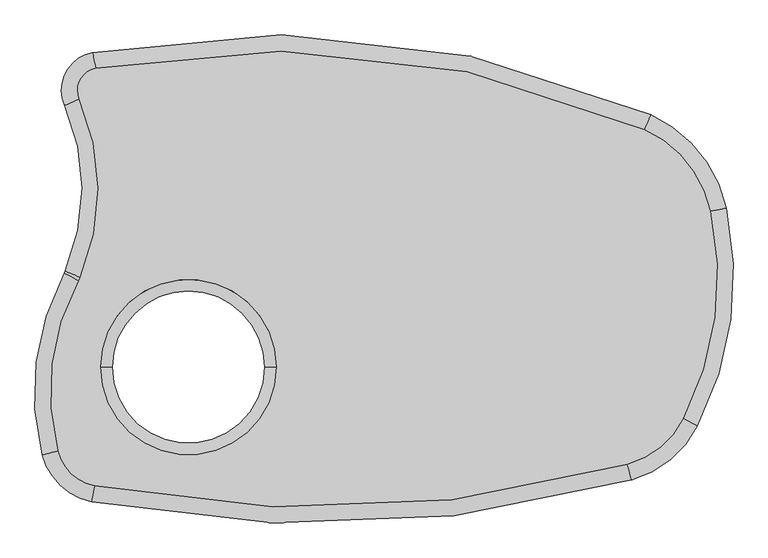
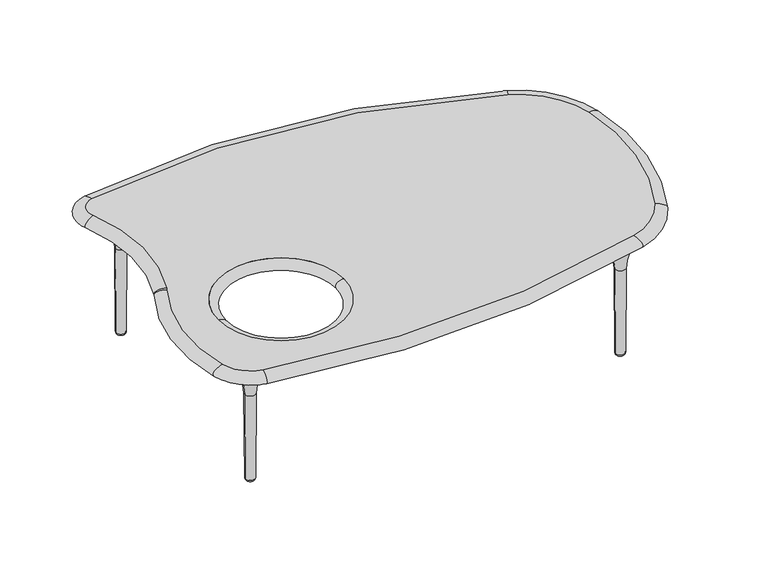
"""IFC4 building model written with IfcOpenShell, lengths in millimetres: furniture geometry."""

from ifc_helpers import new_model, si_unit, point, frame, origin, place, context, project, spatial, polyline, circle_curve, ellipse_curve, trimmed, source, transform, mapped, element, save
from ifc_brep_helpers import plane_surface, revolved_surface, advanced_brep


def furniture_aa1b946d(model_context):
    return source(origin(), model_context, "Body", "AdvancedBrep", [
        advanced_brep(
        [(409.3082921, 194.215623, 5.0603337), (390.8772352, 194.215623, 5.0603337), (400.0927636, 194.215623, 5.0603337), (405.9905141, 194.215623, 0.0), (394.1950132, 194.215623, 0.0), (400.0927636, 194.215623, 0.0)],
        [
            (0, 1, circle_curve(frame((400.0927636, 194.215623, 5.0603337), z_axis=(0.0, 0.0, 1.0), x_axis=(-1.0, 0.0, 0.0)), 9.2155285)),
            (1, 2),
            (2, 0),
            (1, 0, circle_curve(frame((400.0927636, 194.215623, 5.0603337), z_axis=(0.0, 0.0, 1.0), x_axis=(-1.0, 0.0, 0.0)), 9.2155285)),
            (3, 4, circle_curve(frame((400.0927636, 194.215623, 0.0), z_axis=(0.0, 0.0, 1.0), x_axis=(-1.0, 0.0, 0.0)), 5.8977505)),
            (4, 1, circle_curve(frame((394.6084635, 194.215623, 3.8888839), z_axis=(0.0, 1.0, 0.0), x_axis=(1.0, 0.0, 0.0)), 3.9108004)),
            (0, 3, circle_curve(frame((405.5770638, 194.215623, 3.8888839), z_axis=(0.0, 1.0, 0.0), x_axis=(-1.0, 0.0, 0.0)), 3.9108004)),
            (4, 3, circle_curve(frame((400.0927636, 194.215623, 0.0), z_axis=(0.0, 0.0, 1.0), x_axis=(-1.0, 0.0, 0.0)), 5.8977505)),
            (5, 4),
            (3, 5),
        ],
        [
            plane_surface(frame((400.0927636, 194.215623, 5.0603337), z_axis=(0.0, 0.0, 1.0), x_axis=(-1.0, 0.0, 0.0))),
            revolved_surface(trimmed(ellipse_curve(frame((394.6084635, 194.215623, 3.8888839), z_axis=(0.0, -1.0, 0.0), x_axis=(1.0, 0.0, 0.0)), 3.9108004, 3.9108004), [point((390.8772352, 194.215623, 5.0603337))], [point((394.1950132, 194.215623, 0.0))], True, "CARTESIAN"), (400.0927636, 194.215623, 5.0603337), (0.0, 0.0, -1.0)),
            plane_surface(frame((400.0927636, 194.215623, 0.0), z_axis=(0.0, 0.0, -1.0), x_axis=(-1.0, 0.0, 0.0))),
        ],
        [
            (0, [[1, 2, 3]]),
            (0, [[4, -3, -2]]),
            (1, [[5, 6, -1, 7]]),
            (1, [[8, -7, -4, -6]]),
            (2, [[9, -5, 10]]),
            (2, [[-10, -8, -9]]),
        ],
    ),
        advanced_brep(
        [(410.1981211, 194.2300927, 5.0603337), (389.9874062, 194.2300927, 5.0603337), (388.9087079, 194.2300927, 191.5216188), (411.2768194, 194.2300927, 191.5216188), (400.0927636, 194.2300927, 5.0603337), (439.6713763, 194.2300927, 260.474673), (360.514151, 194.2300927, 260.474673), (400.0927636, 194.2300927, 260.474673)],
        [
            (0, 1, circle_curve(frame((400.0927636, 194.2300927, 5.0603337), z_axis=(0.0, 0.0, 1.0), x_axis=(-1.0, 0.0, 0.0)), 10.1053574)),
            (1, 2),
            (2, 3, circle_curve(frame((400.0927636, 194.2300927, 191.5216188), z_axis=(0.0, 0.0, -1.0), x_axis=(-1.0, 0.0, 0.0)), 11.1840557)),
            (3, 0),
            (1, 0, circle_curve(frame((400.0927636, 194.2300927, 5.0603337), z_axis=(0.0, 0.0, 1.0), x_axis=(-1.0, 0.0, 0.0)), 10.1053574)),
            (3, 2, circle_curve(frame((400.0927636, 194.2300927, 191.5216188), z_axis=(0.0, 0.0, -1.0), x_axis=(-1.0, 0.0, 0.0)), 11.1840557)),
            (4, 1),
            (0, 4),
            (5, 6, circle_curve(frame((400.0927636, 194.2300927, 260.474673), z_axis=(0.0, 0.0, 1.0), x_axis=(-1.0, 0.0, 0.0)), 39.5786127)),
            (6, 7),
            (7, 5),
            (6, 5, circle_curve(frame((400.0927636, 194.2300927, 260.474673), z_axis=(0.0, 0.0, 1.0), x_axis=(-1.0, 0.0, 0.0)), 39.5786127)),
            (2, 6, circle_curve(frame((289.5937553, 194.2300927, 190.9470713), z_axis=(0.0, -1.0, 0.0), x_axis=(1.0, 0.0, 0.0)), 99.3166146)),
            (5, 3, circle_curve(frame((510.591772, 194.2300927, 190.9470713), z_axis=(0.0, -1.0, 0.0), x_axis=(-1.0, 0.0, 0.0)), 99.3166146)),
        ],
        [
            revolved_surface(polyline([(388.9087079, 194.2300927, 191.5216188), (389.9874062, 194.2300927, 5.0603337)]), (400.0927636, 194.2300927, 8.5531193), (0.0, 0.0, -1.0)),
            plane_surface(frame((400.0927636, 194.2300927, 5.0603337), z_axis=(0.0, 0.0, -1.0), x_axis=(-1.0, 0.0, 0.0))),
            plane_surface(frame((400.0927636, 194.2300927, 260.474673), z_axis=(0.0, 0.0, 1.0), x_axis=(-1.0, 0.0, 0.0))),
            revolved_surface(trimmed(ellipse_curve(frame((289.5937553, 194.2300927, 190.9470713), z_axis=(0.0, 1.0, 0.0), x_axis=(1.0, 0.0, 0.0)), 99.3166146, 99.3166146), [point((360.514151, 194.2300927, 260.474673))], [point((388.9087079, 194.2300927, 191.5216188))], True, "CARTESIAN"), (400.0927636, 194.2300927, 8.5531193), (0.0, 0.0, -1.0)),
        ],
        [
            (0, [[1, 2, 3, 4]]),
            (0, [[5, -4, 6, -2]]),
            (1, [[7, -1, 8]]),
            (1, [[-8, -5, -7]]),
            (2, [[9, 10, 11]]),
            (2, [[12, -11, -10]]),
            (3, [[-3, 13, -9, 14]]),
            (3, [[-6, -14, -12, -13]]),
        ],
    ),
        advanced_brep(
        [(386.0786054, -232.0878072, 5.0603337), (367.6475484, -232.0878072, 5.0603337), (376.8630769, -232.0878072, 5.0603337), (382.7608274, -232.0878072, 0.0), (370.9653264, -232.0878072, 0.0), (376.8630769, -232.0878072, 0.0)],
        [
            (0, 1, circle_curve(frame((376.8630769, -232.0878072, 5.0603337), z_axis=(0.0, 0.0, 1.0), x_axis=(-1.0, 0.0, 0.0)), 9.2155285)),
            (1, 2),
            (2, 0),
            (1, 0, circle_curve(frame((376.8630769, -232.0878072, 5.0603337), z_axis=(0.0, 0.0, 1.0), x_axis=(-1.0, 0.0, 0.0)), 9.2155285)),
            (3, 4, circle_curve(frame((376.8630769, -232.0878072, 0.0), z_axis=(0.0, 0.0, 1.0), x_axis=(-1.0, 0.0, 0.0)), 5.8977505)),
            (4, 1, circle_curve(frame((371.3787768, -232.0878072, 3.8888839), z_axis=(0.0, 1.0, 0.0), x_axis=(1.0, 0.0, 0.0)), 3.9108004)),
            (0, 3, circle_curve(frame((382.347377, -232.0878072, 3.8888839), z_axis=(0.0, 1.0, 0.0), x_axis=(-1.0, 0.0, 0.0)), 3.9108004)),
            (4, 3, circle_curve(frame((376.8630769, -232.0878072, 0.0), z_axis=(0.0, 0.0, 1.0), x_axis=(-1.0, 0.0, 0.0)), 5.8977505)),
            (5, 4),
            (3, 5),
        ],
        [
            plane_surface(frame((376.8630769, -232.0878072, 5.0603337), z_axis=(0.0, 0.0, 1.0), x_axis=(-1.0, 0.0, 0.0))),
            revolved_surface(trimmed(ellipse_curve(frame((371.3787768, -232.0878072, 3.8888839), z_axis=(0.0, -1.0, 0.0), x_axis=(1.0, 0.0, 0.0)), 3.9108004, 3.9108004), [point((367.6475484, -232.0878072, 5.0603337))], [point((370.9653264, -232.0878072, 0.0))], True, "CARTESIAN"), (376.8630769, -232.0878072, 5.0603337), (0.0, 0.0, -1.0)),
            plane_surface(frame((376.8630769, -232.0878072, 0.0), z_axis=(0.0, 0.0, -1.0), x_axis=(-1.0, 0.0, 0.0))),
        ],
        [
            (0, [[1, 2, 3]]),
            (0, [[4, -3, -2]]),
            (1, [[5, 6, -1, 7]]),
            (1, [[8, -7, -4, -6]]),
            (2, [[9, -5, 10]]),
            (2, [[-10, -8, -9]]),
        ],
    ),
        advanced_brep(
        [(386.9684343, -232.0733376, 5.0603337), (366.7577195, -232.0733376, 5.0603337), (365.6790212, -232.0733376, 191.5216188), (388.0471326, -232.0733376, 191.5216188), (376.8630769, -232.0733376, 5.0603337), (416.4416896, -232.0733376, 260.474673), (337.2844642, -232.0733376, 260.474673), (376.8630769, -232.0733376, 260.474673)],
        [
            (0, 1, circle_curve(frame((376.8630769, -232.0733376, 5.0603337), z_axis=(0.0, 0.0, 1.0), x_axis=(-1.0, 0.0, 0.0)), 10.1053574)),
            (1, 2),
            (2, 3, circle_curve(frame((376.8630769, -232.0733376, 191.5216188), z_axis=(0.0, 0.0, -1.0), x_axis=(-1.0, 0.0, 0.0)), 11.1840557)),
            (3, 0),
            (1, 0, circle_curve(frame((376.8630769, -232.0733376, 5.0603337), z_axis=(0.0, 0.0, 1.0), x_axis=(-1.0, 0.0, 0.0)), 10.1053574)),
            (3, 2, circle_curve(frame((376.8630769, -232.0733376, 191.5216188), z_axis=(0.0, 0.0, -1.0), x_axis=(-1.0, 0.0, 0.0)), 11.1840557)),
            (4, 1),
            (0, 4),
            (5, 6, circle_curve(frame((376.8630769, -232.0733376, 260.474673), z_axis=(0.0, 0.0, 1.0), x_axis=(-1.0, 0.0, 0.0)), 39.5786127)),
            (6, 7),
            (7, 5),
            (6, 5, circle_curve(frame((376.8630769, -232.0733376, 260.474673), z_axis=(0.0, 0.0, 1.0), x_axis=(-1.0, 0.0, 0.0)), 39.5786127)),
            (2, 6, circle_curve(frame((266.3640685, -232.0733376, 190.9470713), z_axis=(0.0, -1.0, 0.0), x_axis=(1.0, 0.0, 0.0)), 99.3166146)),
            (5, 3, circle_curve(frame((487.3620853, -232.0733376, 190.9470713), z_axis=(0.0, -1.0, 0.0), x_axis=(-1.0, 0.0, 0.0)), 99.3166146)),
        ],
        [
            revolved_surface(polyline([(365.6790212, -232.0733376, 191.5216188), (366.7577195, -232.0733376, 5.0603337)]), (376.8630769, -232.0733376, 8.5531193), (0.0, 0.0, -1.0)),
            plane_surface(frame((376.8630769, -232.0733376, 5.0603337), z_axis=(0.0, 0.0, -1.0), x_axis=(-1.0, 0.0, 0.0))),
            plane_surface(frame((376.8630769, -232.0733376, 260.474673), z_axis=(0.0, 0.0, 1.0), x_axis=(-1.0, 0.0, 0.0))),
            revolved_surface(trimmed(ellipse_curve(frame((266.3640685, -232.0733376, 190.9470713), z_axis=(0.0, 1.0, 0.0), x_axis=(1.0, 0.0, 0.0)), 99.3166146, 99.3166146), [point((337.2844642, -232.0733376, 260.474673))], [point((365.6790212, -232.0733376, 191.5216188))], True, "CARTESIAN"), (376.8630769, -232.0733376, 8.5531193), (0.0, 0.0, -1.0)),
        ],
        [
            (0, [[1, 2, 3, 4]]),
            (0, [[5, -4, 6, -2]]),
            (1, [[7, -1, 8]]),
            (1, [[-8, -5, -7]]),
            (2, [[9, 10, 11]]),
            (2, [[12, -11, -10]]),
            (3, [[-3, 13, -9, 14]]),
            (3, [[-6, -14, -12, -13]]),
        ],
    ),
        advanced_brep(
        [(-393.1942138, -239.8380791, 5.0603337), (-411.6252708, -239.8380791, 5.0603337), (-402.4097423, -239.8380791, 5.0603337), (-396.5119918, -239.8380791, 0.0), (-408.3074928, -239.8380791, 0.0), (-402.4097423, -239.8380791, 0.0)],
        [
            (0, 1, circle_curve(frame((-402.4097423, -239.8380791, 5.0603337), z_axis=(0.0, 0.0, 1.0), x_axis=(-1.0, 0.0, 0.0)), 9.2155285)),
            (1, 2),
            (2, 0),
            (1, 0, circle_curve(frame((-402.4097423, -239.8380791, 5.0603337), z_axis=(0.0, 0.0, 1.0), x_axis=(-1.0, 0.0, 0.0)), 9.2155285)),
            (3, 4, circle_curve(frame((-402.4097423, -239.8380791, 0.0), z_axis=(0.0, 0.0, 1.0), x_axis=(-1.0, 0.0, 0.0)), 5.8977505)),
            (4, 1, circle_curve(frame((-407.8940424, -239.8380791, 3.8888839), z_axis=(0.0, 1.0, 0.0), x_axis=(1.0, 0.0, 0.0)), 3.9108004)),
            (0, 3, circle_curve(frame((-396.9254422, -239.8380791, 3.8888839), z_axis=(0.0, 1.0, 0.0), x_axis=(-1.0, 0.0, 0.0)), 3.9108004)),
            (4, 3, circle_curve(frame((-402.4097423, -239.8380791, 0.0), z_axis=(0.0, 0.0, 1.0), x_axis=(-1.0, 0.0, 0.0)), 5.8977505)),
            (5, 4),
            (3, 5),
        ],
        [
            plane_surface(frame((-402.4097423, -239.8380791, 5.0603337), z_axis=(0.0, 0.0, 1.0), x_axis=(-1.0, 0.0, 0.0))),
            revolved_surface(trimmed(ellipse_curve(frame((-407.8940424, -239.8380791, 3.8888839), z_axis=(0.0, -1.0, 0.0), x_axis=(1.0, 0.0, 0.0)), 3.9108004, 3.9108004), [point((-411.6252708, -239.8380791, 5.0603337))], [point((-408.3074928, -239.8380791, 0.0))], True, "CARTESIAN"), (-402.4097423, -239.8380791, 5.0603337), (0.0, 0.0, -1.0)),
            plane_surface(frame((-402.4097423, -239.8380791, 0.0), z_axis=(0.0, 0.0, -1.0), x_axis=(-1.0, 0.0, 0.0))),
        ],
        [
            (0, [[1, 2, 3]]),
            (0, [[4, -3, -2]]),
            (1, [[5, 6, -1, 7]]),
            (1, [[8, -7, -4, -6]]),
            (2, [[9, -5, 10]]),
            (2, [[-10, -8, -9]]),
        ],
    ),
        advanced_brep(
        [(-392.3043849, -239.8236094, 5.0603337), (-412.5150997, -239.8236094, 5.0603337), (-413.593798, -239.8236094, 191.5216188), (-391.2256866, -239.8236094, 191.5216188), (-402.4097423, -239.8236094, 5.0603337), (-362.8311297, -239.8236094, 260.474673), (-441.988355, -239.8236094, 260.474673), (-402.4097423, -239.8236094, 260.474673)],
        [
            (0, 1, circle_curve(frame((-402.4097423, -239.8236094, 5.0603337), z_axis=(0.0, 0.0, 1.0), x_axis=(-1.0, 0.0, 0.0)), 10.1053574)),
            (1, 2),
            (2, 3, circle_curve(frame((-402.4097423, -239.8236094, 191.5216188), z_axis=(0.0, 0.0, -1.0), x_axis=(-1.0, 0.0, 0.0)), 11.1840557)),
            (3, 0),
            (1, 0, circle_curve(frame((-402.4097423, -239.8236094, 5.0603337), z_axis=(0.0, 0.0, 1.0), x_axis=(-1.0, 0.0, 0.0)), 10.1053574)),
            (3, 2, circle_curve(frame((-402.4097423, -239.8236094, 191.5216188), z_axis=(0.0, 0.0, -1.0), x_axis=(-1.0, 0.0, 0.0)), 11.1840557)),
            (4, 1),
            (0, 4),
            (5, 6, circle_curve(frame((-402.4097423, -239.8236094, 260.474673), z_axis=(0.0, 0.0, 1.0), x_axis=(-1.0, 0.0, 0.0)), 39.5786127)),
            (6, 7),
            (7, 5),
            (6, 5, circle_curve(frame((-402.4097423, -239.8236094, 260.474673), z_axis=(0.0, 0.0, 1.0), x_axis=(-1.0, 0.0, 0.0)), 39.5786127)),
            (2, 6, circle_curve(frame((-512.9087507, -239.8236094, 190.9470713), z_axis=(0.0, -1.0, 0.0), x_axis=(1.0, 0.0, 0.0)), 99.3166146)),
            (5, 3, circle_curve(frame((-291.910734, -239.8236094, 190.9470713), z_axis=(0.0, -1.0, 0.0), x_axis=(-1.0, 0.0, 0.0)), 99.3166146)),
        ],
        [
            revolved_surface(polyline([(-413.593798, -239.8236094, 191.5216188), (-412.5150997, -239.8236094, 5.0603337)]), (-402.4097423, -239.8236094, 8.5531193), (0.0, 0.0, -1.0)),
            plane_surface(frame((-402.4097423, -239.8236094, 5.0603337), z_axis=(0.0, 0.0, -1.0), x_axis=(-1.0, 0.0, 0.0))),
            plane_surface(frame((-402.4097423, -239.8236094, 260.474673), z_axis=(0.0, 0.0, 1.0), x_axis=(-1.0, 0.0, 0.0))),
            revolved_surface(trimmed(ellipse_curve(frame((-512.9087507, -239.8236094, 190.9470713), z_axis=(0.0, 1.0, 0.0), x_axis=(1.0, 0.0, 0.0)), 99.3166146, 99.3166146), [point((-441.988355, -239.8236094, 260.474673))], [point((-413.593798, -239.8236094, 191.5216188))], True, "CARTESIAN"), (-402.4097423, -239.8236094, 8.5531193), (0.0, 0.0, -1.0)),
        ],
        [
            (0, [[1, 2, 3, 4]]),
            (0, [[5, -4, 6, -2]]),
            (1, [[7, -1, 8]]),
            (1, [[-8, -5, -7]]),
            (2, [[9, 10, 11]]),
            (2, [[12, -11, -10]]),
            (3, [[-3, 13, -9, 14]]),
            (3, [[-6, -14, -12, -13]]),
        ],
    ),
        advanced_brep(
        [(-365.2445457, 277.3729515, 5.0603337), (-383.6756027, 277.3729515, 5.0603337), (-374.4600742, 277.3729515, 5.0603337), (-368.5623237, 277.3729515, 0.0), (-380.3578246, 277.3729515, 0.0), (-374.4600742, 277.3729515, 0.0)],
        [
            (0, 1, circle_curve(frame((-374.4600742, 277.3729515, 5.0603337), z_axis=(0.0, 0.0, 1.0), x_axis=(-1.0, 0.0, 0.0)), 9.2155285)),
            (1, 2),
            (2, 0),
            (1, 0, circle_curve(frame((-374.4600742, 277.3729515, 5.0603337), z_axis=(0.0, 0.0, 1.0), x_axis=(-1.0, 0.0, 0.0)), 9.2155285)),
            (3, 4, circle_curve(frame((-374.4600742, 277.3729515, 0.0), z_axis=(0.0, 0.0, 1.0), x_axis=(-1.0, 0.0, 0.0)), 5.8977505)),
            (4, 1, circle_curve(frame((-379.9443743, 277.3729515, 3.8888839), z_axis=(0.0, 1.0, 0.0), x_axis=(1.0, 0.0, 0.0)), 3.9108004)),
            (0, 3, circle_curve(frame((-368.975774, 277.3729515, 3.8888839), z_axis=(0.0, 1.0, 0.0), x_axis=(-1.0, 0.0, 0.0)), 3.9108004)),
            (4, 3, circle_curve(frame((-374.4600742, 277.3729515, 0.0), z_axis=(0.0, 0.0, 1.0), x_axis=(-1.0, 0.0, 0.0)), 5.8977505)),
            (5, 4),
            (3, 5),
        ],
        [
            plane_surface(frame((-374.4600742, 277.3729515, 5.0603337), z_axis=(0.0, 0.0, 1.0), x_axis=(-1.0, 0.0, 0.0))),
            revolved_surface(trimmed(ellipse_curve(frame((-379.9443743, 277.3729515, 3.8888839), z_axis=(0.0, -1.0, 0.0), x_axis=(1.0, 0.0, 0.0)), 3.9108004, 3.9108004), [point((-383.6756027, 277.3729515, 5.0603337))], [point((-380.3578246, 277.3729515, 0.0))], True, "CARTESIAN"), (-374.4600742, 277.3729515, 5.0603337), (0.0, 0.0, -1.0)),
            plane_surface(frame((-374.4600742, 277.3729515, 0.0), z_axis=(0.0, 0.0, -1.0), x_axis=(-1.0, 0.0, 0.0))),
        ],
        [
            (0, [[1, 2, 3]]),
            (0, [[4, -3, -2]]),
            (1, [[5, 6, -1, 7]]),
            (1, [[8, -7, -4, -6]]),
            (2, [[9, -5, 10]]),
            (2, [[-10, -8, -9]]),
        ],
    ),
        advanced_brep(
        [(-364.3547168, 277.3874212, 5.0603337), (-384.5654316, 277.3874212, 5.0603337), (-385.6441299, 277.3874212, 191.5216188), (-363.2760185, 277.3874212, 191.5216188), (-374.4600742, 277.3874212, 5.0603337), (-334.8814615, 277.3874212, 260.474673), (-414.0386868, 277.3874212, 260.474673), (-374.4600742, 277.3874212, 260.474673)],
        [
            (0, 1, circle_curve(frame((-374.4600742, 277.3874212, 5.0603337), z_axis=(0.0, 0.0, 1.0), x_axis=(-1.0, 0.0, 0.0)), 10.1053574)),
            (1, 2),
            (2, 3, circle_curve(frame((-374.4600742, 277.3874212, 191.5216188), z_axis=(0.0, 0.0, -1.0), x_axis=(-1.0, 0.0, 0.0)), 11.1840557)),
            (3, 0),
            (1, 0, circle_curve(frame((-374.4600742, 277.3874212, 5.0603337), z_axis=(0.0, 0.0, 1.0), x_axis=(-1.0, 0.0, 0.0)), 10.1053574)),
            (3, 2, circle_curve(frame((-374.4600742, 277.3874212, 191.5216188), z_axis=(0.0, 0.0, -1.0), x_axis=(-1.0, 0.0, 0.0)), 11.1840557)),
            (4, 1),
            (0, 4),
            (5, 6, circle_curve(frame((-374.4600742, 277.3874212, 260.474673), z_axis=(0.0, 0.0, 1.0), x_axis=(-1.0, 0.0, 0.0)), 39.5786127)),
            (6, 7),
            (7, 5),
            (6, 5, circle_curve(frame((-374.4600742, 277.3874212, 260.474673), z_axis=(0.0, 0.0, 1.0), x_axis=(-1.0, 0.0, 0.0)), 39.5786127)),
            (2, 6, circle_curve(frame((-484.9590825, 277.3874212, 190.9470713), z_axis=(0.0, -1.0, 0.0), x_axis=(1.0, 0.0, 0.0)), 99.3166146)),
            (5, 3, circle_curve(frame((-263.9610658, 277.3874212, 190.9470713), z_axis=(0.0, -1.0, 0.0), x_axis=(-1.0, 0.0, 0.0)), 99.3166146)),
        ],
        [
            revolved_surface(polyline([(-385.6441299, 277.3874212, 191.5216188), (-384.5654316, 277.3874212, 5.0603337)]), (-374.4600742, 277.3874212, 8.5531193), (0.0, 0.0, -1.0)),
            plane_surface(frame((-374.4600742, 277.3874212, 5.0603337), z_axis=(0.0, 0.0, -1.0), x_axis=(-1.0, 0.0, 0.0))),
            plane_surface(frame((-374.4600742, 277.3874212, 260.474673), z_axis=(0.0, 0.0, 1.0), x_axis=(-1.0, 0.0, 0.0))),
            revolved_surface(trimmed(ellipse_curve(frame((-484.9590825, 277.3874212, 190.9470713), z_axis=(0.0, 1.0, 0.0), x_axis=(1.0, 0.0, 0.0)), 99.3166146, 99.3166146), [point((-414.0386868, 277.3874212, 260.474673))], [point((-385.6441299, 277.3874212, 191.5216188))], True, "CARTESIAN"), (-374.4600742, 277.3874212, 8.5531193), (0.0, 0.0, -1.0)),
        ],
        [
            (0, [[1, 2, 3, 4]]),
            (0, [[5, -4, 6, -2]]),
            (1, [[7, -1, 8]]),
            (1, [[-8, -5, -7]]),
            (2, [[9, 10, 11]]),
            (2, [[12, -11, -10]]),
            (3, [[-3, 13, -9, 14]]),
            (3, [[-6, -14, -12, -13]]),
        ],
    ),
        advanced_brep(
        [(383.6806043, -269.1329229, 282.575), (466.8994396, -200.7545787, 282.575), (507.5218884, 108.7303519, 282.575), (408.6130375, 230.5446987, 282.575), (-409.200563, 322.0524001, 282.575), (-433.2768901, 276.101836, 282.575), (-432.2107344, 9.7691249, 282.575), (-434.6494164, 4.7010824, 282.575), (-465.2616888, -249.0332325, 282.575), (-410.1173759, -301.0765935, 282.575), (-401.5262777, -123.9597663, 282.575), (-139.9062777, -123.9597663, 282.575), (466.8994396, -200.7545787, 260.4279144), (383.6806043, -269.1329229, 260.4279144), (-410.1173759, -301.0765935, 260.4279144), (-465.2616888, -249.0332325, 260.4279144), (-434.6494164, 4.7010824, 260.4279144), (-432.2107344, 9.7691249, 260.4279144), (-433.2768901, 276.101836, 260.4279144), (-409.200563, 322.0524001, 260.4279144), (408.6130375, 230.5446987, 260.4279144), (507.5218884, 108.7303519, 260.4279144), (-139.9062777, -123.9597663, 260.4279144), (-401.5262777, -123.9597663, 260.4279144)],
        [
            (0, 1, circle_curve(frame((346.7685762, -139.3804062, 282.575), z_axis=(0.0, 0.0, 1.0), x_axis=(0.8905129139043849, -0.4549579652775864, 0.0)), 134.9007539)),
            (1, 2, circle_curve(frame((52.2694756, 11.0775035, 282.575), z_axis=(0.0, 0.0, 1.0), x_axis=(0.9777589364213161, 0.20973188181165217, 0.0)), 465.6080305)),
            (2, 3, circle_curve(frame((338.3688552, 72.4465782, 282.575), z_axis=(0.0, 0.0, 1.0), x_axis=(0.4060339665735394, 0.9138579856786052, 0.0)), 173.0007539)),
            (3, 4, circle_curve(frame((-144.7775752, -1014.9679241, 282.575), z_axis=(0.0, 0.0, 1.0), x_axis=(-0.1940125330920143, 0.9809990504598973, 0.0)), 1362.9170422)),
            (4, 5, circle_curve(frame((-402.7397994, 289.3843921, 282.575), z_axis=(0.0, 0.0, 1.0), x_axis=(-0.9170089917025769, -0.39886653047933646, 0.0)), 33.3007539)),
            (5, 6, circle_curve(frame((-742.2800406, 141.6963769, 282.575), z_axis=(0.0, 0.0, -1.0), x_axis=(0.920172954192655, -0.3915121126764309, 0.0)), 336.9685066)),
            (6, 7, circle_curve(frame((-488.2270775, 33.6027713, 282.575), z_axis=(0.0, 0.0, -1.0), x_axis=(0.8801130522038457, -0.47476416813027394, 0.0)), 60.8758851)),
            (7, 8, circle_curve(frame((-127.3014309, -161.0933122, 282.575), z_axis=(0.0, 0.0, 1.0), x_axis=(-0.9677734948719516, -0.2518222838100885, 0.0)), 349.2142114)),
            (8, 9, circle_curve(frame((-396.1619316, -231.0529315, 282.575), z_axis=(0.0, 0.0, 1.0), x_axis=(-0.19545233841585458, -0.9807132014038429, 0.0)), 71.4007539)),
            (9, 0, circle_curve(frame((-79.3613871, 1358.5441985, 282.575), z_axis=(0.0, 0.0, 1.0), x_axis=(0.2736235867816785, -0.9618368535030923, 0.0)), 1692.2590515)),
            (10, 11, circle_curve(frame((-270.7162777, -123.9597663, 282.575), z_axis=(0.0, 0.0, -1.0), x_axis=(1.0, 0.0, 0.0)), 130.81)),
            (11, 10, circle_curve(frame((-270.7162777, -123.9597663, 282.575), z_axis=(0.0, 0.0, -1.0), x_axis=(-1.0, 0.0, 0.0)), 130.81)),
            (12, 13, circle_curve(frame((346.7685762, -139.3804062, 260.4279144), z_axis=(0.0, 0.0, -1.0), x_axis=(0.8905129139043849, -0.4549579652775864, 0.0)), 134.9007539)),
            (13, 14, circle_curve(frame((-79.3613871, 1358.5441985, 260.4279144), z_axis=(0.0, 0.0, -1.0), x_axis=(0.2736235867816785, -0.9618368535030923, 0.0)), 1692.2590515)),
            (14, 15, circle_curve(frame((-396.1619316, -231.0529315, 260.4279144), z_axis=(0.0, 0.0, -1.0), x_axis=(-0.19545233841585458, -0.9807132014038429, 0.0)), 71.4007539)),
            (15, 16, circle_curve(frame((-127.3014309, -161.0933122, 260.4279144), z_axis=(0.0, 0.0, -1.0), x_axis=(-0.9677734948719516, -0.2518222838100885, 0.0)), 349.2142114)),
            (16, 17, circle_curve(frame((-488.2270775, 33.6027713, 260.4279144), z_axis=(0.0, 0.0, 1.0), x_axis=(0.8801130522038457, -0.47476416813027394, 0.0)), 60.8758851)),
            (17, 18, circle_curve(frame((-742.2800406, 141.6963769, 260.4279144), z_axis=(0.0, 0.0, 1.0), x_axis=(0.920172954192655, -0.3915121126764309, 0.0)), 336.9685066)),
            (18, 19, circle_curve(frame((-402.7397994, 289.3843921, 260.4279144), z_axis=(0.0, 0.0, -1.0), x_axis=(-0.9170089917025769, -0.39886653047933646, 0.0)), 33.3007539)),
            (19, 20, circle_curve(frame((-144.7775752, -1014.9679241, 260.4279144), z_axis=(0.0, 0.0, -1.0), x_axis=(-0.1940125330920143, 0.9809990504598973, 0.0)), 1362.9170422)),
            (20, 21, circle_curve(frame((338.3688552, 72.4465782, 260.4279144), z_axis=(0.0, 0.0, -1.0), x_axis=(0.4060339665735394, 0.9138579856786052, 0.0)), 173.0007539)),
            (21, 12, circle_curve(frame((52.2694756, 11.0775035, 260.4279144), z_axis=(0.0, 0.0, -1.0), x_axis=(0.9777589364213161, 0.20973188181165217, 0.0)), 465.6080305)),
            (22, 23, circle_curve(frame((-270.7162777, -123.9597663, 260.4279144), z_axis=(0.0, 0.0, 1.0), x_axis=(1.0, 0.0, 0.0)), 130.81)),
            (23, 22, circle_curve(frame((-270.7162777, -123.9597663, 260.4279144), z_axis=(0.0, 0.0, 1.0), x_axis=(-1.0, 0.0, 0.0)), 130.81)),
            (12, 1, ellipse_curve(frame((466.8994396, -200.7545787, 271.5014572), z_axis=(-0.45495796527758575, -0.8905129139043853, 0.0), x_axis=(-0.8905129139043853, 0.45495796527758575, 0.0)), 24.0546116, 11.0735428)),
            (0, 13, ellipse_curve(frame((383.6806043, -269.1329229, 271.5014572), z_axis=(0.9618368535030923, 0.2736235867816792, 0.0), x_axis=(-0.27362358678167914, 0.9618368535030921, 0.0)), 24.0546116, 11.0735428)),
            (9, 14, ellipse_curve(frame((-410.1173759, -301.0765935, 271.5014572), z_axis=(0.980713201403814, -0.19545233841599927, 0.0), x_axis=(0.1954523384159992, 0.9807132014038138, 0.0)), 24.0546116, 11.0735428)),
            (8, 15, ellipse_curve(frame((-465.2616888, -249.0332325, 271.5014572), z_axis=(0.2518222838100928, -0.9677734948719505, 0.0), x_axis=(0.9677734948719507, 0.25182228381009286, 0.0)), 24.0546116, 11.0735428)),
            (7, 16, ellipse_curve(frame((-434.6494164, 4.7010824, 271.5014572), z_axis=(-0.47476416813023997, -0.880113052203864, 0.0), x_axis=(0.880113052203864, -0.47476416813023997, 0.0)), 24.0546116, 11.0735428)),
            (6, 17, ellipse_curve(frame((-432.2107344, 9.7691249, 271.5014572), z_axis=(-0.39151211267640157, -0.9201729541926674, 0.0), x_axis=(0.9201729541926674, -0.39151211267640157, 0.0)), 24.0546116, 11.0735428)),
            (5, 18, ellipse_curve(frame((-433.2768901, 276.101836, 271.5014572), z_axis=(0.398866530479343, -0.917008991702574, 0.0), x_axis=(0.9170089917025742, 0.39886653047934306, 0.0)), 24.0546116, 11.0735428)),
            (4, 19, ellipse_curve(frame((-409.200563, 322.0524001, 271.5014572), z_axis=(-0.9809990504599454, -0.19401253309177124, 0.0), x_axis=(0.19401253309177127, -0.9809990504599456, 0.0)), 24.0546116, 11.0735428)),
            (3, 20, ellipse_curve(frame((408.6130375, 230.5446987, 271.5014572), z_axis=(-0.9138579856786089, 0.40603396657353136, 0.0), x_axis=(-0.40603396657353136, -0.9138579856786089, 0.0)), 24.0546116, 11.0735428)),
            (2, 21, ellipse_curve(frame((507.5218884, 108.7303519, 271.5014572), z_axis=(-0.20973188181164135, 0.9777589364213184, 0.0), x_axis=(-0.9777589364213184, -0.20973188181164135, 0.0)), 24.0546116, 11.0735428)),
            (22, 11, ellipse_curve(frame((-139.9062777, -123.9597663, 271.5014572), z_axis=(0.0, 1.0, 0.0), x_axis=(1.0, 0.0, 0.0)), 17.1352311, 11.0735428)),
            (10, 23, ellipse_curve(frame((-401.5262777, -123.9597663, 271.5014572), z_axis=(0.0, 1.0, 0.0), x_axis=(-1.0, 0.0, 0.0)), 17.1352311, 11.0735428)),
        ],
        [
            plane_surface(frame((-409.200563, 322.0524001, 282.575), z_axis=(0.0, 0.0, 1.0000000000000002), x_axis=(-0.980999050459895, -0.19401253309202648, 0.0))),
            plane_surface(frame((-409.200563, 322.0524001, 260.4279144), z_axis=(0.0, 0.0, -1.0000000000000002), x_axis=(0.980999050459895, 0.19401253309202648, 0.0))),
            revolved_surface(trimmed(ellipse_curve(frame((466.8994396, -200.7545787, 271.5014572), z_axis=(0.45495796527758575, 0.8905129139043853, 0.0), x_axis=(-0.8905129139043853, 0.45495796527758575, 0.0)), 24.0546116, 11.0735428), [point((466.8994396, -200.7545787, 282.575))], [point((466.8994396, -200.7545787, 260.4279144))], True, "CARTESIAN"), (346.7685762, -139.3804062, 282.575), (0.0, 0.0, -1.0)),
            revolved_surface(trimmed(ellipse_curve(frame((383.6806043, -269.1329229, 271.5014572), z_axis=(0.9618368535030921, 0.27362358678167925, 0.0), x_axis=(-0.27362358678167925, 0.9618368535030921, 0.0)), 24.0546116, 11.0735428), [point((383.6806043, -269.1329229, 282.575))], [point((383.6806043, -269.1329229, 260.4279144))], True, "CARTESIAN"), (-79.3613871, 1358.5441985, 282.575), (0.0, 0.0, -1.0)),
            revolved_surface(trimmed(ellipse_curve(frame((-410.1173759, -301.0765935, 271.5014572), z_axis=(0.9807132014038433, -0.1954523384158536, 0.0), x_axis=(0.19545233841585355, 0.9807132014038431, 0.0)), 24.0546116, 11.0735428), [point((-410.1173759, -301.0765935, 282.575))], [point((-410.1173759, -301.0765935, 260.4279144))], True, "CARTESIAN"), (-396.1619316, -231.0529315, 282.575), (0.0, 0.0, -1.0000000000000002)),
            revolved_surface(trimmed(ellipse_curve(frame((-465.2616888, -249.0332325, 271.5014572), z_axis=(0.2518222838100895, -0.9677734948719516, 0.0), x_axis=(0.9677734948719514, 0.2518222838100894, 0.0)), 24.0546116, 11.0735428), [point((-465.2616888, -249.0332325, 282.575))], [point((-465.2616888, -249.0332325, 260.4279144))], True, "CARTESIAN"), (-127.3014309, -161.0933122, 282.575), (0.0, 0.0, -1.0000000000000002)),
            revolved_surface(trimmed(ellipse_curve(frame((-434.6494164, 4.7010824, 271.5014572), z_axis=(-0.47476416813027317, -0.8801130522038464, 0.0), x_axis=(0.8801130522038462, -0.47476416813027306, 0.0)), 24.0546116, 11.0735428), [point((-434.6494164, 4.7010824, 282.575))], [point((-434.6494164, 4.7010824, 260.4279144))], True, "CARTESIAN"), (-488.2270775, 33.6027713, 282.575), (0.0, 0.0, 1.0000000000000002)),
            revolved_surface(trimmed(ellipse_curve(frame((-432.2107344, 9.7691249, 271.5014572), z_axis=(-0.39151211267643005, -0.9201729541926557, 0.0), x_axis=(0.9201729541926554, -0.39151211267642994, 0.0)), 24.0546116, 11.0735428), [point((-432.2107344, 9.7691249, 282.575))], [point((-432.2107344, 9.7691249, 260.4279144))], True, "CARTESIAN"), (-742.2800406, 141.6963769, 282.575), (0.0, 0.0, 1.0000000000000002)),
            revolved_surface(trimmed(ellipse_curve(frame((-433.2768901, 276.101836, 271.5014572), z_axis=(0.3988665304793375, -0.9170089917025767, 0.0), x_axis=(0.9170089917025764, 0.3988665304793374, 0.0)), 24.0546116, 11.0735428), [point((-433.2768901, 276.101836, 282.575))], [point((-433.2768901, 276.101836, 260.4279144))], True, "CARTESIAN"), (-402.7397994, 289.3843921, 282.575), (0.0, 0.0, -1.0000000000000002)),
            revolved_surface(trimmed(ellipse_curve(frame((-409.200563, 322.0524001, 271.5014572), z_axis=(-0.9809990504598971, -0.19401253309201533, 0.0), x_axis=(0.19401253309201533, -0.9809990504598971, 0.0)), 24.0546116, 11.0735428), [point((-409.200563, 322.0524001, 282.575))], [point((-409.200563, 322.0524001, 260.4279144))], True, "CARTESIAN"), (-144.7775752, -1014.9679241, 282.575), (0.0, 0.0, -1.0)),
            revolved_surface(trimmed(ellipse_curve(frame((408.6130375, 230.5446987, 271.5014572), z_axis=(-0.9138579856786057, 0.40603396657353846, 0.0), x_axis=(-0.40603396657353846, -0.9138579856786057, 0.0)), 24.0546116, 11.0735428), [point((408.6130375, 230.5446987, 282.575))], [point((408.6130375, 230.5446987, 260.4279144))], True, "CARTESIAN"), (338.3688552, 72.4465782, 282.575), (0.0, 0.0, -1.0)),
            revolved_surface(trimmed(ellipse_curve(frame((507.5218884, 108.7303519, 271.5014572), z_axis=(-0.20973188181165314, 0.9777589364213158, 0.0), x_axis=(-0.9777589364213158, -0.20973188181165314, 0.0)), 24.0546116, 11.0735428), [point((507.5218884, 108.7303519, 282.575))], [point((507.5218884, 108.7303519, 260.4279144))], True, "CARTESIAN"), (52.2694756, 11.0775035, 282.575), (0.0, 0.0, -1.0)),
            revolved_surface(trimmed(ellipse_curve(frame((-139.9062777, -123.9597663, 271.5014572), z_axis=(0.0, -1.0, 0.0), x_axis=(1.0, 0.0, 0.0)), 17.1352311, 11.0735428), [point((-139.9062777, -123.9597663, 282.575))], [point((-139.9062777, -123.9597663, 260.4279144))], True, "CARTESIAN"), (-270.7162777, -123.9597663, 282.575), (0.0, 0.0, 1.0)),
            revolved_surface(trimmed(ellipse_curve(frame((-401.5262777, -123.9597663, 271.5014572), z_axis=(0.0, 1.0, 0.0), x_axis=(-1.0, 0.0, 0.0)), 17.1352311, 11.0735428), [point((-401.5262777, -123.9597663, 282.575))], [point((-401.5262777, -123.9597663, 260.4279144))], True, "CARTESIAN"), (-270.7162777, -123.9597663, 282.575), (0.0, 0.0, 1.0)),
        ],
        [
            (0, [[1, 2, 3, 4, 5, 6, 7, 8, 9, 10], [11, 12]]),
            (1, [[13, 14, 15, 16, 17, 18, 19, 20, 21, 22], [23, 24]]),
            (2, [[25, -1, 26, -13]]),
            (3, [[-26, -10, 27, -14]]),
            (4, [[-27, -9, 28, -15]]),
            (5, [[-28, -8, 29, -16]]),
            (6, [[-29, -7, 30, -17]]),
            (7, [[-30, -6, 31, -18]]),
            (8, [[-31, -5, 32, -19]]),
            (9, [[-32, -4, 33, -20]]),
            (10, [[-33, -3, 34, -21]]),
            (11, [[-25, -22, -34, -2]]),
            (12, [[35, -11, 36, -23]]),
            (13, [[-35, -24, -36, -12]]),
        ],
    ),
    ])


if __name__ == "__main__":
    model = new_model("IFC4")
    model_context = context("Model", 3, world=origin())
    ifc_project = project(units=[si_unit("LENGTHUNIT", "METRE", prefix="MILLI")], contexts=[model_context])
    site = spatial("IfcSite", under=ifc_project)
    building = spatial("IfcBuilding", under=site)
    placement = place(None, origin())
    furniture_shape = furniture_aa1b946d(model_context)
    element("IfcFurniture", 1, at=placement, inside=building, context=model_context, shape_type="MappedRepresentation", body=[
        mapped(furniture_shape, transform((0.0, 0.0, 0.0), x_axis=(1.0, 0.0, 0.0), y_axis=(0.0, 1.0, 0.0), z_axis=(0.0, 0.0, 1.0))),
    ])
    save(model, "model.ifc")
